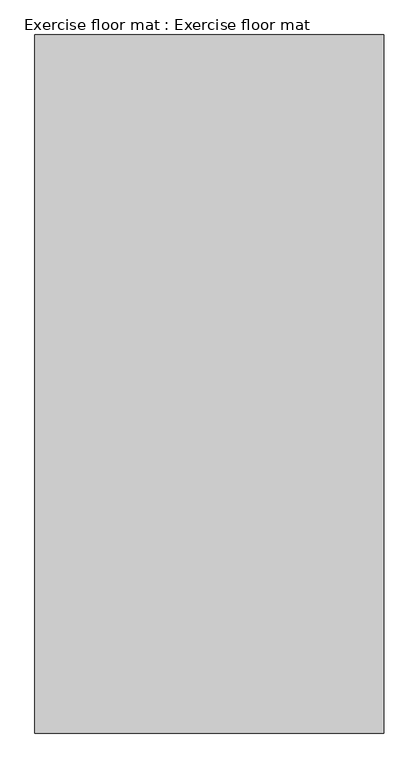
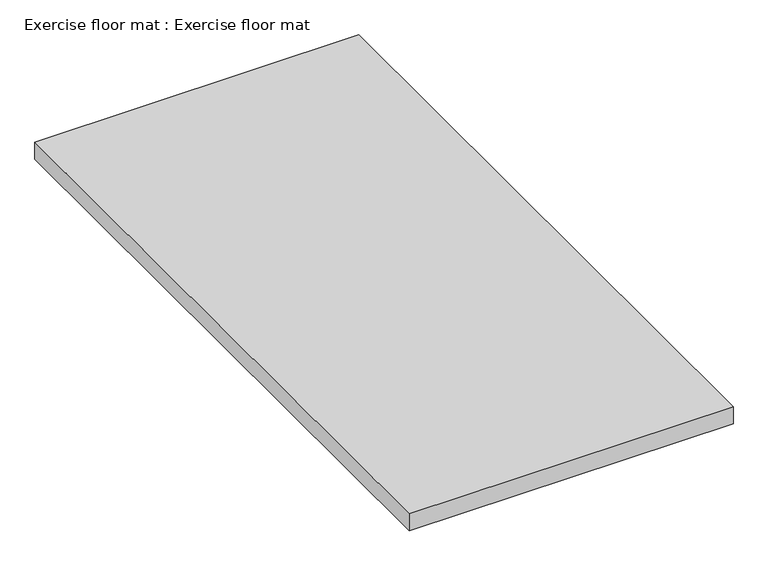
"""IFC4 building model written with IfcOpenShell, lengths in millimetres: proxy geometry, Exercise floor mat : Exercise floor mat."""

from ifc_helpers import new_model, si_unit, origin, origin_with_axes, place, context, project, spatial, polyline, outline, extrude, source, transform, mapped, element, save


def exercise_floor_mat_exercise_floor_mat_eb4892eb(model_context):
    return source(origin(), model_context, "Body", "SweptSolid", [
        extrude(outline(polyline([(914.4, 0.0), (0.0, 0.0), (0.0, 1828.8), (914.4, 1828.8), (914.4, 0.0)])), origin_with_axes(), (0.0, 0.0, 1.0), 50.8),
    ])


if __name__ == "__main__":
    model = new_model("IFC4")
    model_context = context("Model", 3, world=origin())
    ifc_project = project(units=[si_unit("LENGTHUNIT", "METRE", prefix="MILLI")], contexts=[model_context])
    site = spatial("IfcSite", under=ifc_project)
    building = spatial("IfcBuilding", under=site)
    placement = place(None, origin())
    exercise_floor_mat_exercise_floor_mat_shape = exercise_floor_mat_exercise_floor_mat_eb4892eb(model_context)
    element("IfcBuildingElementProxy", 1, Name="Exercise floor mat : Exercise floor mat", ObjectType="Exercise floor mat : Exercise floor mat", at=placement, inside=building, context=model_context, shape_type="MappedRepresentation", body=[
        mapped(exercise_floor_mat_exercise_floor_mat_shape, transform((0.0, 0.0, 0.0), x_axis=(1.0, 0.0, 0.0), y_axis=(0.0, 1.0, 0.0), z_axis=(0.0, 0.0, 1.0))),
    ])
    save(model, "model.ifc")
